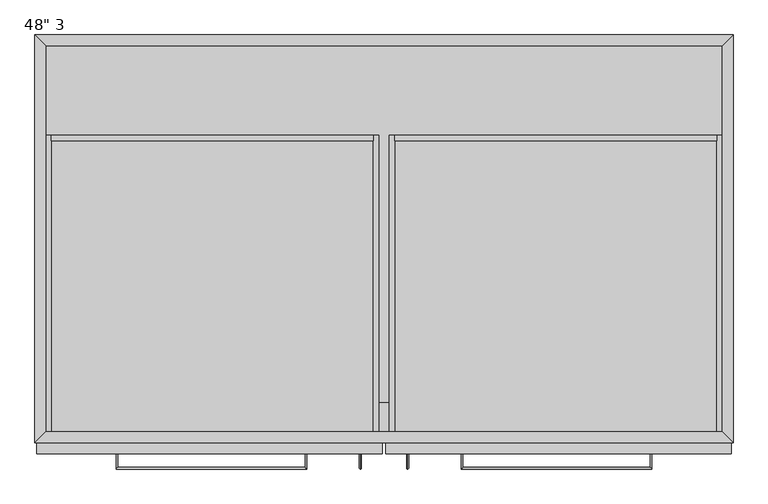
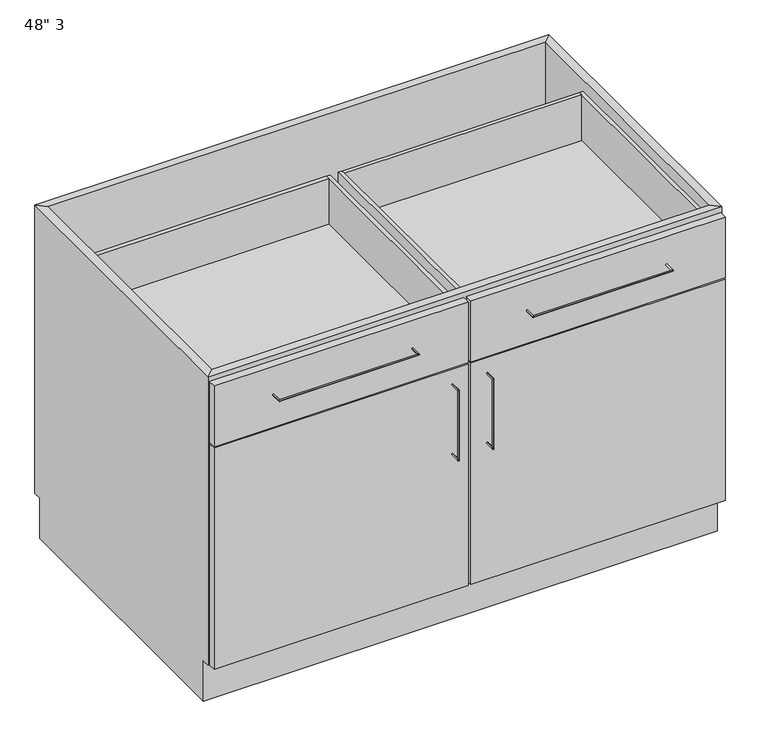
"""IFC4 building model written with IfcOpenShell, lengths in millimetres: furniture geometry."""

from ifc_helpers import new_model, si_unit, frame, origin, place, context, project, spatial, polyline, circle_curve, ellipse_curve, outline, extrude, faceted_brep, source, transform, mapped, element, save
from ifc_brep_helpers import plane_surface, cylinder_surface, advanced_brep


def furniture_788c3232(model_context):
    return source(origin(), model_context, "Body", "SolidModel", [
        extrude(outline(polyline([(-571.8122951, -642.15), (609.2877049, -642.15), (609.2877049, -692.95), (-571.8122951, -692.95), (-571.8122951, -642.15)])), frame((0.0, 0.0, 654.05), z_axis=(0.0, 0.0, 1.0), x_axis=(1.0, 0.0, 0.0)), (0.0, 0.0, 1.0), 19.05),
        extrude(outline(polyline([(609.2877049, -19.05), (609.2877049, -692.95), (-571.8122951, -692.95), (-571.8122951, -19.05), (609.2877049, -19.05)])), frame((0.0, 0.0, 101.6), z_axis=(0.0, 0.0, 1.0), x_axis=(1.0, 0.0, 0.0)), (0.0, 0.0, 1.0), 19.05),
        extrude(outline(polyline([(15.5627049, -731.05), (-587.6872951, -731.05), (-587.6872951, -712.0), (15.5627049, -712.0), (15.5627049, -731.05)])), frame((0.0, 0.0, 660.4), z_axis=(0.0, 0.0, 1.0), x_axis=(1.0, 0.0, 0.0)), (0.0, 0.0, 1.0), 152.4),
        extrude(outline(polyline([(625.1627049, -731.05), (21.9127049, -731.05), (21.9127049, -712.0), (625.1627049, -712.0), (625.1627049, -731.05)])), frame((0.0, 0.0, 660.4), z_axis=(0.0, 0.0, 1.0), x_axis=(1.0, 0.0, 0.0)), (0.0, 0.0, 1.0), 152.4),
        extrude(outline(polyline([(15.5627049, -731.05), (-587.6872951, -731.05), (-587.6872951, -712.0), (15.5627049, -712.0), (15.5627049, -731.05)])), frame((0.0, 0.0, 101.6), z_axis=(0.0, 0.0, 1.0), x_axis=(1.0, 0.0, 0.0)), (0.0, 0.0, 1.0), 555.625),
        extrude(outline(polyline([(625.1627049, -731.05), (21.9127049, -731.05), (21.9127049, -712.0), (625.1627049, -712.0), (625.1627049, -731.05)])), frame((0.0, 0.0, 101.6), z_axis=(0.0, 0.0, 1.0), x_axis=(1.0, 0.0, 0.0)), (0.0, 0.0, 1.0), 555.625),
        advanced_brep(
        [(-118.9787451, -731.05, 742.7699324), (-115.8037451, -731.05, 742.7699324), (-118.9787451, -754.8625, 742.7699324), (-115.8037451, -758.0375, 742.7699324), (-446.0037451, -754.8625, 742.7699324), (-449.1787451, -758.0375, 742.7699324), (-446.0037451, -731.05, 742.7699324), (-449.1787451, -731.05, 742.7699324)],
        [
            (0, 1, circle_curve(frame((-117.3912451, -731.05, 742.7699324), z_axis=(0.0, 1.0, 0.0), x_axis=(1.0, 0.0, 0.0)), 1.5875)),
            (1, 0, circle_curve(frame((-117.3912451, -731.05, 742.7699324), z_axis=(0.0, 1.0, 0.0), x_axis=(1.0, 0.0, 0.0)), 1.5875)),
            (0, 2),
            (2, 3, ellipse_curve(frame((-117.3912451, -756.45, 742.7699324), z_axis=(0.7071067811865475, 0.7071067811865475, 0.0), x_axis=(-0.7071067811865474, 0.7071067811865476, 0.0)), 2.245064, 1.5875)),
            (3, 1),
            (3, 2, ellipse_curve(frame((-117.3912451, -756.45, 742.7699324), z_axis=(0.7071067811865475, 0.7071067811865475, 0.0), x_axis=(-0.7071067811865474, 0.7071067811865476, 0.0)), 2.245064, 1.5875)),
            (2, 4),
            (4, 5, ellipse_curve(frame((-447.5912451, -756.45, 742.7699324), z_axis=(0.7071067811865475, -0.7071067811865475, 0.0), x_axis=(0.7071067811865476, 0.7071067811865474, 0.0)), 2.245064, 1.5875)),
            (5, 3),
            (5, 4, ellipse_curve(frame((-447.5912451, -756.45, 742.7699324), z_axis=(0.7071067811865475, -0.7071067811865475, 0.0), x_axis=(0.7071067811865476, 0.7071067811865474, 0.0)), 2.245064, 1.5875)),
            (6, 7, circle_curve(frame((-447.5912451, -731.05, 742.7699324), z_axis=(0.0, 1.0, 0.0), x_axis=(-1.0, 0.0, 0.0)), 1.5875)),
            (7, 6, circle_curve(frame((-447.5912451, -731.05, 742.7699324), z_axis=(0.0, 1.0, 0.0), x_axis=(-1.0, 0.0, 0.0)), 1.5875)),
            (4, 6),
            (7, 5),
        ],
        [
            plane_surface(frame((-117.3912451, -731.05, 742.7699324), z_axis=(0.0, 1.0, 0.0), x_axis=(0.0, 0.0, 1.0))),
            cylinder_surface(frame((-117.3912451, -731.05, 742.7699324), z_axis=(0.0, 1.0, 0.0), x_axis=(1.0, 0.0, 0.0)), 1.5875),
            cylinder_surface(frame((-117.3912451, -756.45, 742.7699324), z_axis=(1.0, 0.0, 0.0), x_axis=(0.0, -1.0, 0.0)), 1.5875),
            plane_surface(frame((-447.5912451, -731.05, 742.7699324), z_axis=(0.0, 1.0, 0.0), x_axis=(0.0, 0.0, 1.0))),
            cylinder_surface(frame((-447.5912451, -756.45, 742.7699324), z_axis=(0.0, -1.0, 0.0), x_axis=(-1.0, 0.0, 0.0)), 1.5875),
        ],
        [
            (0, [[1, 2]]),
            (1, [[-1, 3, 4, 5]]),
            (1, [[-2, -5, 6, -3]]),
            (2, [[-4, 7, 8, 9]]),
            (2, [[-6, -9, 10, -7]]),
            (3, [[11, 12]]),
            (4, [[-8, 13, -12, 14]]),
            (4, [[-10, -14, -11, -13]]),
        ],
    ),
        advanced_brep(
        [(153.2791549, -731.05, 742.7699324), (156.4541549, -731.05, 742.7699324), (153.2791549, -758.0375, 742.7699324), (156.4541549, -754.8625, 742.7699324), (486.6541549, -758.0375, 742.7699324), (483.4791549, -754.8625, 742.7699324), (486.6541549, -731.05, 742.7699324), (483.4791549, -731.05, 742.7699324)],
        [
            (0, 1, circle_curve(frame((154.8666549, -731.05, 742.7699324), z_axis=(0.0, 1.0, 0.0), x_axis=(1.0, 0.0, 0.0)), 1.5875)),
            (1, 0, circle_curve(frame((154.8666549, -731.05, 742.7699324), z_axis=(0.0, 1.0, 0.0), x_axis=(1.0, 0.0, 0.0)), 1.5875)),
            (0, 2),
            (2, 3, ellipse_curve(frame((154.8666549, -756.45, 742.7699324), z_axis=(-0.7071067811865475, 0.7071067811865475, 0.0), x_axis=(0.7071067811865474, 0.7071067811865476, 0.0)), 2.245064, 1.5875)),
            (3, 1),
            (3, 2, ellipse_curve(frame((154.8666549, -756.45, 742.7699324), z_axis=(-0.7071067811865475, 0.7071067811865475, 0.0), x_axis=(0.7071067811865474, 0.7071067811865476, 0.0)), 2.245064, 1.5875)),
            (2, 4),
            (4, 5, ellipse_curve(frame((485.0666549, -756.45, 742.7699324), z_axis=(-0.7071067811865475, -0.7071067811865475, 0.0), x_axis=(-0.7071067811865476, 0.7071067811865474, 0.0)), 2.245064, 1.5875)),
            (5, 3),
            (5, 4, ellipse_curve(frame((485.0666549, -756.45, 742.7699324), z_axis=(-0.7071067811865475, -0.7071067811865475, 0.0), x_axis=(-0.7071067811865476, 0.7071067811865474, 0.0)), 2.245064, 1.5875)),
            (6, 7, circle_curve(frame((485.0666549, -731.05, 742.7699324), z_axis=(0.0, 1.0, 0.0), x_axis=(-1.0, 0.0, 0.0)), 1.5875)),
            (7, 6, circle_curve(frame((485.0666549, -731.05, 742.7699324), z_axis=(0.0, 1.0, 0.0), x_axis=(-1.0, 0.0, 0.0)), 1.5875)),
            (4, 6),
            (7, 5),
        ],
        [
            plane_surface(frame((154.8666549, -731.05, 742.7699324), z_axis=(0.0, 1.0, 0.0), x_axis=(0.0, 0.0, 1.0))),
            cylinder_surface(frame((154.8666549, -731.05, 742.7699324), z_axis=(0.0, 1.0, 0.0), x_axis=(1.0, 0.0, 0.0)), 1.5875),
            cylinder_surface(frame((154.8666549, -756.45, 742.7699324), z_axis=(-1.0, 0.0, 0.0), x_axis=(0.0, 1.0, 0.0)), 1.5875),
            plane_surface(frame((485.0666549, -731.05, 742.7699324), z_axis=(0.0, 1.0, 0.0), x_axis=(0.0, 0.0, 1.0))),
            cylinder_surface(frame((485.0666549, -756.45, 742.7699324), z_axis=(0.0, -1.0, 0.0), x_axis=(-1.0, 0.0, 0.0)), 1.5875),
        ],
        [
            (0, [[1, 2]]),
            (1, [[-1, 3, 4, 5]]),
            (1, [[-2, -5, 6, -3]]),
            (2, [[-4, 7, 8, 9]]),
            (2, [[-6, -9, 10, -7]]),
            (3, [[11, 12]]),
            (4, [[-8, 13, -12, 14]]),
            (4, [[-10, -14, -11, -13]]),
        ],
    ),
        advanced_brep(
        [(-22.5139911, -731.05, 617.5375), (-22.5139911, -731.05, 620.7125), (-22.5139911, -754.8625, 617.5375), (-22.5139911, -758.0375, 620.7125), (-22.5139911, -754.8625, 446.0875), (-22.5139911, -758.0375, 442.9125), (-22.5139911, -731.05, 446.0875), (-22.5139911, -731.05, 442.9125)],
        [
            (0, 1, circle_curve(frame((-22.5139911, -731.05, 619.125), z_axis=(0.0, 1.0, 0.0), x_axis=(0.0, 0.0, 1.0)), 1.5875)),
            (1, 0, circle_curve(frame((-22.5139911, -731.05, 619.125), z_axis=(0.0, 1.0, 0.0), x_axis=(0.0, 0.0, 1.0)), 1.5875)),
            (0, 2),
            (2, 3, ellipse_curve(frame((-22.5139911, -756.45, 619.125), z_axis=(0.0, 0.7071067811865475, 0.7071067811865475), x_axis=(0.0, 0.7071067811865476, -0.7071067811865474)), 2.245064, 1.5875)),
            (3, 1),
            (3, 2, ellipse_curve(frame((-22.5139911, -756.45, 619.125), z_axis=(0.0, 0.7071067811865475, 0.7071067811865475), x_axis=(0.0, 0.7071067811865476, -0.7071067811865474)), 2.245064, 1.5875)),
            (2, 4),
            (4, 5, ellipse_curve(frame((-22.5139911, -756.45, 444.5), z_axis=(0.0, -0.7071067811865475, 0.7071067811865475), x_axis=(0.0, 0.7071067811865474, 0.7071067811865476)), 2.245064, 1.5875)),
            (5, 3),
            (5, 4, ellipse_curve(frame((-22.5139911, -756.45, 444.5), z_axis=(0.0, -0.7071067811865475, 0.7071067811865475), x_axis=(0.0, 0.7071067811865474, 0.7071067811865476)), 2.245064, 1.5875)),
            (6, 7, circle_curve(frame((-22.5139911, -731.05, 444.5), z_axis=(0.0, 1.0, 0.0), x_axis=(0.0, 0.0, -1.0)), 1.5875)),
            (7, 6, circle_curve(frame((-22.5139911, -731.05, 444.5), z_axis=(0.0, 1.0, 0.0), x_axis=(0.0, 0.0, -1.0)), 1.5875)),
            (4, 6),
            (7, 5),
        ],
        [
            plane_surface(frame((-22.5139911, -731.05, 619.125), z_axis=(0.0, 1.0, 0.0), x_axis=(-1.0, 0.0, 0.0))),
            cylinder_surface(frame((-22.5139911, -731.05, 619.125), z_axis=(0.0, 1.0, 0.0), x_axis=(0.0, 0.0, 1.0)), 1.5875),
            cylinder_surface(frame((-22.5139911, -756.45, 619.125), z_axis=(0.0, 0.0, 1.0), x_axis=(0.0, -1.0, 0.0)), 1.5875),
            plane_surface(frame((-22.5139911, -731.05, 444.5), z_axis=(0.0, 1.0, 0.0), x_axis=(-1.0, 0.0, 0.0))),
            cylinder_surface(frame((-22.5139911, -756.45, 444.5), z_axis=(0.0, -1.0, 0.0), x_axis=(0.0, 0.0, -1.0)), 1.5875),
        ],
        [
            (0, [[1, 2]]),
            (1, [[-1, 3, 4, 5]]),
            (1, [[-2, -5, 6, -3]]),
            (2, [[-4, 7, 8, 9]]),
            (2, [[-6, -9, 10, -7]]),
            (3, [[11, 12]]),
            (4, [[-8, 13, -12, 14]]),
            (4, [[-10, -14, -11, -13]]),
        ],
    ),
        advanced_brep(
        [(59.9894009, -731.05, 620.7125), (59.9894009, -731.05, 617.5375), (59.9894009, -758.0375, 620.7125), (59.9894009, -754.8625, 617.5375), (59.9894009, -758.0375, 442.9125), (59.9894009, -754.8625, 446.0875), (59.9894009, -731.05, 442.9125), (59.9894009, -731.05, 446.0875)],
        [
            (0, 1, circle_curve(frame((59.9894009, -731.05, 619.125), z_axis=(0.0, 1.0, 0.0), x_axis=(0.0, 0.0, -1.0)), 1.5875)),
            (1, 0, circle_curve(frame((59.9894009, -731.05, 619.125), z_axis=(0.0, 1.0, 0.0), x_axis=(0.0, 0.0, -1.0)), 1.5875)),
            (0, 2),
            (2, 3, ellipse_curve(frame((59.9894009, -756.45, 619.125), z_axis=(0.0, 0.7071067811865475, 0.7071067811865475), x_axis=(0.0, 0.7071067811865476, -0.7071067811865474)), 2.245064, 1.5875)),
            (3, 1),
            (3, 2, ellipse_curve(frame((59.9894009, -756.45, 619.125), z_axis=(0.0, 0.7071067811865475, 0.7071067811865475), x_axis=(0.0, 0.7071067811865476, -0.7071067811865474)), 2.245064, 1.5875)),
            (2, 4),
            (4, 5, ellipse_curve(frame((59.9894009, -756.45, 444.5), z_axis=(0.0, -0.7071067811865475, 0.7071067811865475), x_axis=(0.0, 0.7071067811865474, 0.7071067811865476)), 2.245064, 1.5875)),
            (5, 3),
            (5, 4, ellipse_curve(frame((59.9894009, -756.45, 444.5), z_axis=(0.0, -0.7071067811865475, 0.7071067811865475), x_axis=(0.0, 0.7071067811865474, 0.7071067811865476)), 2.245064, 1.5875)),
            (6, 7, circle_curve(frame((59.9894009, -731.05, 444.5), z_axis=(0.0, 1.0, 0.0), x_axis=(0.0, 0.0, 1.0)), 1.5875)),
            (7, 6, circle_curve(frame((59.9894009, -731.05, 444.5), z_axis=(0.0, 1.0, 0.0), x_axis=(0.0, 0.0, 1.0)), 1.5875)),
            (4, 6),
            (7, 5),
        ],
        [
            plane_surface(frame((59.9894009, -731.05, 619.125), z_axis=(0.0, 1.0, 0.0), x_axis=(1.0, 0.0, 0.0))),
            cylinder_surface(frame((59.9894009, -731.05, 619.125), z_axis=(0.0, 1.0, 0.0), x_axis=(0.0, 0.0, -1.0)), 1.5875),
            cylinder_surface(frame((59.9894009, -756.45, 619.125), z_axis=(0.0, 0.0, 1.0), x_axis=(0.0, 1.0, 0.0)), 1.5875),
            plane_surface(frame((59.9894009, -731.05, 444.5), z_axis=(0.0, 1.0, 0.0), x_axis=(1.0, 0.0, 0.0))),
            cylinder_surface(frame((59.9894009, -756.45, 444.5), z_axis=(0.0, -1.0, 0.0), x_axis=(0.0, 0.0, 1.0)), 1.5875),
        ],
        [
            (0, [[1, 2]]),
            (1, [[-1, 3, 4, 5]]),
            (1, [[-2, -5, 6, -3]]),
            (2, [[-4, 7, 8, 9]]),
            (2, [[-6, -9, 10, -7]]),
            (3, [[11, 12]]),
            (4, [[-8, 13, -12, 14]]),
            (4, [[-10, -14, -11, -13]]),
        ],
    ),
        faceted_brep([(609.2877049, -692.95, 101.6), (-571.8122951, -692.95, 101.6), (-571.8122951, -692.95, 120.65), (9.2127049, -692.95, 120.65), (9.2127049, -692.95, 650.875), (-571.8122951, -692.95, 650.875), (-571.8122951, -692.95, 666.75), (9.2127049, -692.95, 666.75), (9.2127049, -692.95, 806.45), (-571.8122951, -692.95, 806.45), (-571.8122951, -692.95, 825.5), (609.2877049, -692.95, 825.5), (609.2877049, -692.95, 806.45), (28.2627049, -692.95, 806.45), (28.2627049, -692.95, 666.75), (609.2877049, -692.95, 666.75), (609.2877049, -692.95, 650.875), (28.2627049, -692.95, 650.875), (28.2627049, -692.95, 120.65), (609.2877049, -692.95, 120.65), (-590.8622951, -712.0, 825.5), (628.3377049, -712.0, 825.5), (-590.8622951, -712.0, 101.6), (628.3377049, -712.0, 101.6), (28.2627049, -712.0, 666.75), (28.2627049, -712.0, 806.45), (609.2877049, -712.0, 806.45), (609.2877049, -712.0, 666.75), (-571.8122951, -712.0, 666.75), (-571.8122951, -712.0, 806.45), (9.2127049, -712.0, 806.45), (9.2127049, -712.0, 666.75), (28.2627049, -712.0, 120.65), (28.2627049, -712.0, 650.875), (609.2877049, -712.0, 650.875), (609.2877049, -712.0, 120.65), (-571.8122951, -712.0, 120.65), (-571.8122951, -712.0, 650.875), (9.2127049, -712.0, 650.875), (9.2127049, -712.0, 120.65), (-571.8122951, -19.05, 101.6), (-571.8122951, -19.05, 825.5), (-590.8622951, 0.0, 825.5), (-590.8622951, 0.0, 101.6), (-590.8622951, -19.05, 101.6), (-590.8622951, -19.05, 0.0), (-590.8622951, -692.95, 0.0), (-590.8622951, -692.95, 101.6), (609.2877049, -19.05, 101.6), (609.2877049, -19.05, 825.5), (628.3377049, 0.0, 825.5), (628.3377049, 0.0, 101.6), (628.3377049, -692.95, 101.6), (628.3377049, -692.95, 0.0), (628.3377049, -19.05, 0.0), (628.3377049, -19.05, 101.6)], [[[0, 1, 2, 3, 4, 5, 6, 7, 8, 9, 10, 11, 12, 13, 14, 15, 16, 17, 18, 19]], [[11, 10, 20, 21]], [[21, 20, 22, 23], [24, 25, 26, 27], [28, 29, 30, 31], [32, 33, 34, 35], [36, 37, 38, 39]], [[1, 0, 23, 22]], [[40, 41, 10, 9, 29, 28, 6, 5, 37, 36, 2, 1]], [[20, 10, 41, 42]], [[22, 20, 42, 43, 44, 45, 46, 47]], [[1, 22, 47]], [[43, 40, 44]], [[41, 40, 48, 49]], [[42, 41, 49, 50]], [[43, 42, 50, 51]], [[40, 43, 51, 48]], [[49, 48, 0, 19, 35, 34, 16, 15, 27, 26, 12, 11]], [[11, 21, 50, 49]], [[21, 23, 52, 53, 54, 55, 51, 50]], [[23, 0, 52]], [[48, 51, 55]], [[1, 0, 48, 40]], [[54, 53, 46, 45]], [[54, 45, 44, 40, 48, 55]], [[46, 53, 52, 0, 1, 47]], [[24, 14, 13, 25]], [[14, 24, 27, 15]], [[25, 13, 12, 26]], [[6, 28, 31, 7]], [[7, 31, 30, 8]], [[29, 9, 8, 30]], [[32, 18, 17, 33]], [[18, 32, 35, 19]], [[33, 17, 16, 34]], [[2, 36, 39, 3]], [[3, 39, 38, 4]], [[37, 5, 4, 38]]]),
        extrude(outline(polyline([(609.2877049, -19.05), (609.2877049, -708.825), (-571.8122951, -708.825), (-571.8122951, -19.05), (609.2877049, -19.05)])), frame((0.0, 0.0, 477.8037229), z_axis=(0.0, 0.0, 1.0), x_axis=(1.0, 0.0, 0.0)), (0.0, 0.0, 1.0), 19.05),
        extrude(outline(polyline([(609.2877049, -19.05), (609.2877049, -708.825), (-571.8122951, -708.825), (-571.8122951, -19.05), (609.2877049, -19.05)])), frame((0.0, 0.0, 300.0037229), z_axis=(0.0, 0.0, 1.0), x_axis=(1.0, 0.0, 0.0)), (0.0, 0.0, 1.0), 19.05),
        extrude(outline(polyline([(599.7627049, -175.425), (599.7627049, -184.95), (37.7877049, -184.95), (37.7877049, -175.425), (599.7627049, -175.425)])), frame((0.0, 0.0, 682.625), z_axis=(0.0, 0.0, 1.0), x_axis=(1.0, 0.0, 0.0)), (0.0, 0.0, 1.0), 114.3),
        extrude(outline(polyline([(-0.3122951, -175.425), (-0.3122951, -184.95), (-562.2872951, -184.95), (-562.2872951, -175.425), (-0.3122951, -175.425)])), frame((0.0, 0.0, 682.625), z_axis=(0.0, 0.0, 1.0), x_axis=(1.0, 0.0, 0.0)), (0.0, 0.0, 1.0), 114.3),
        extrude(outline(polyline([(673.1, 28.2627049), (673.1, 609.2877049), (796.925, 609.2877049), (796.925, 599.7627049), (682.625, 599.7627049), (682.625, 37.7877049), (796.925, 37.7877049), (796.925, 28.2627049), (673.1, 28.2627049)])), frame((0.0, -712.0, 0.0), z_axis=(0.0, 1.0, 0.0), x_axis=(0.0, 0.0, 1.0)), (0.0, 0.0, 1.0), 536.575),
        extrude(outline(polyline([(673.1, -571.8122951), (673.1, 9.2127049), (796.925, 9.2127049), (796.925, -0.3122951), (682.625, -0.3122951), (682.625, -562.2872951), (796.925, -562.2872951), (796.925, -571.8122951), (673.1, -571.8122951)])), frame((0.0, -712.0, 0.0), z_axis=(0.0, 1.0, 0.0), x_axis=(0.0, 0.0, 1.0)), (0.0, 0.0, 1.0), 536.575),
    ])


if __name__ == "__main__":
    model = new_model("IFC4")
    model_context = context("Model", 3, world=origin())
    ifc_project = project(units=[si_unit("LENGTHUNIT", "METRE", prefix="MILLI")], contexts=[model_context])
    site = spatial("IfcSite", under=ifc_project)
    building = spatial("IfcBuilding", under=site)
    placement = place(None, origin())
    furniture_shape = furniture_788c3232(model_context)
    element("IfcFurniture", 1, ObjectType="48\" 3", at=placement, inside=building, context=model_context, shape_type="MappedRepresentation", body=[
        mapped(furniture_shape, transform((0.0, 0.0, 0.0), x_axis=(1.0, 0.0, 0.0), y_axis=(0.0, 1.0, 0.0), z_axis=(0.0, 0.0, 1.0))),
    ])
    save(model, "model.ifc")
